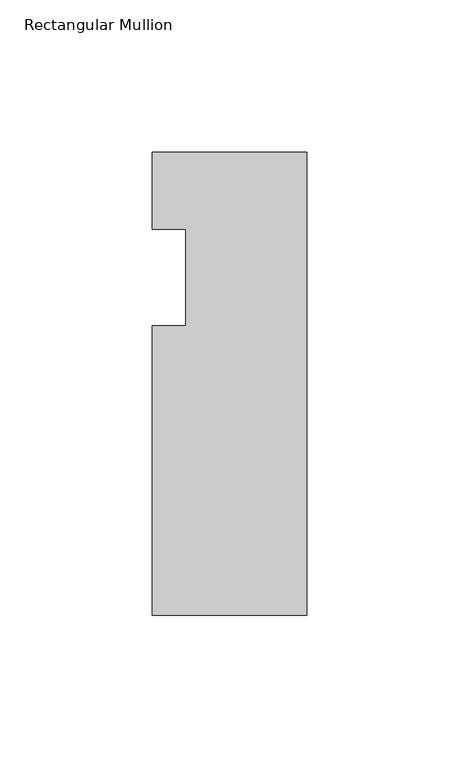
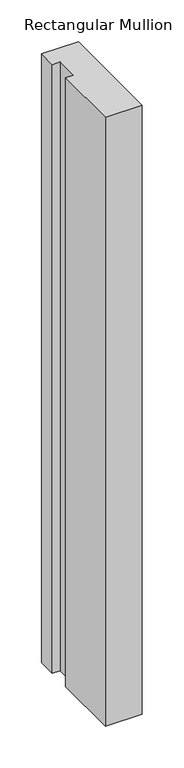
"""IFC4 building model written with IfcOpenShell, lengths in millimetres: member geometry, Rectangular Mullion."""

from ifc_helpers import new_model, si_unit, frame, origin, place, context, project, spatial, polyline, outline, extrude, source, transform, mapped, element, save


def rectangular_mullion_674aa246(model_context):
    return source(origin(), model_context, "Body", "SweptSolid", [
        extrude(outline(polyline([(0.0, 6.35), (0.0, -146.05), (-50.8, -146.05), (-50.8, -50.8000003), (-39.798625, -50.8000003), (-39.798625, -19.05), (-50.8, -19.05), (-50.8, 6.35), (0.0, 6.35)])), frame((0.0, 0.0, -888.9998097), z_axis=(0.0, 0.0, 1.0), x_axis=(1.0, 0.0, 0.0)), (0.0, 0.0, 1.0), 888.9998097),
    ])


if __name__ == "__main__":
    model = new_model("IFC4")
    model_context = context("Model", 3, world=origin())
    ifc_project = project(units=[si_unit("LENGTHUNIT", "METRE", prefix="MILLI")], contexts=[model_context])
    site = spatial("IfcSite", under=ifc_project)
    building = spatial("IfcBuilding", under=site)
    placement = place(None, origin())
    rectangular_mullion_shape = rectangular_mullion_674aa246(model_context)
    element("IfcMember", 1, ObjectType="Rectangular Mullion", at=placement, inside=building, context=model_context, shape_type="MappedRepresentation", body=[
        mapped(rectangular_mullion_shape, transform((0.0, 0.0, 0.0), x_axis=(1.0, 0.0, 0.0), y_axis=(0.0, 1.0, 0.0), z_axis=(0.0, 0.0, 1.0))),
    ])
    save(model, "model.ifc")
